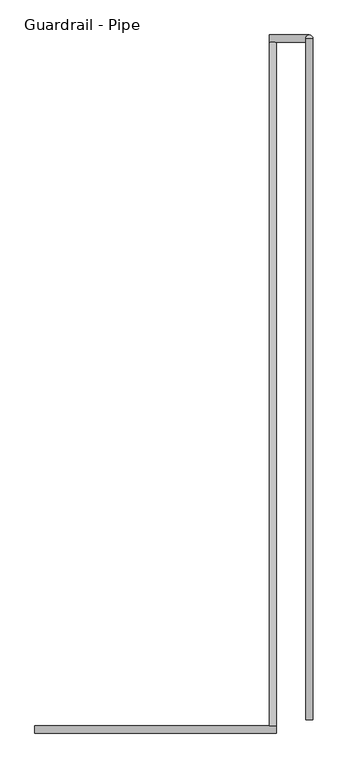
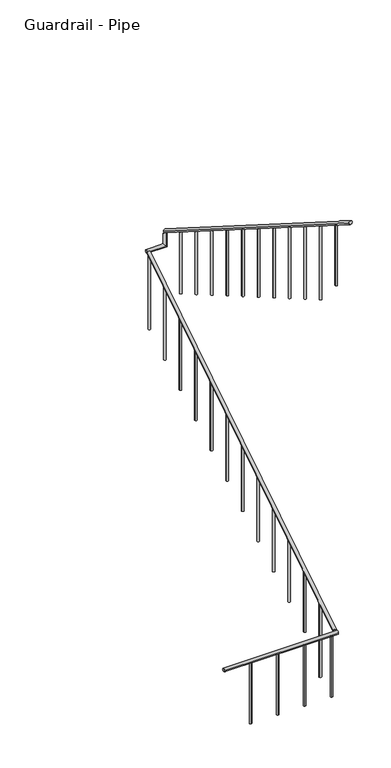
"""IFC4 building model written with IfcOpenShell, lengths in millimetres: railing geometry, Guardrail - Pipe."""

from ifc_helpers import new_model, si_unit, point, frame, frame_2d, origin, place, context, project, spatial, circle_curve, ellipse_curve, trimmed, segment, composite_curve, outline, extrude, source, transform, mapped, element, save
from ifc_brep_helpers import plane_surface, cylinder_surface, advanced_brep


def guardrail_pipe_47b4cf30(model_context):
    return source(origin(), model_context, "Body", "SolidModel", [
        advanced_brep(
        [(662052.3754676, -293377.1580223, 896.2158407), (662090.4754676, -293377.1580223, 896.2158407), (662052.3754676, -289732.2580223, 3203.4252683), (662090.4754676, -289732.2580223, 3203.4252683)],
        [
            (0, 1, ellipse_curve(frame((662071.4254676, -293377.1580223, 896.2158407), z_axis=(0.0, -1.0, 0.0), x_axis=(0.0, 0.0, -1.0)), 22.5457755, 19.05)),
            (1, 0, ellipse_curve(frame((662071.4254676, -293377.1580223, 896.2158407), z_axis=(0.0, -1.0, 0.0), x_axis=(0.0, 0.0, -1.0)), 22.5457755, 19.05)),
            (2, 3, ellipse_curve(frame((662071.4254676, -289732.2580223, 3203.4252683), z_axis=(0.0, 1.0, 0.0), x_axis=(0.0, 0.0, -1.0)), 22.5457755, 19.05)),
            (3, 2, ellipse_curve(frame((662071.4254676, -289732.2580223, 3203.4252683), z_axis=(0.0, 1.0, 0.0), x_axis=(0.0, 0.0, -1.0)), 22.5457755, 19.05)),
            (1, 3),
            (2, 0),
        ],
        [
            plane_surface(frame((662071.4254676, -293377.1580223, 918.7616162), z_axis=(0.0, -1.0, 0.0), x_axis=(0.0, 0.0, 1.0))),
            plane_surface(frame((662071.4254676, -289732.2580223, 3225.9710438), z_axis=(0.0, 1.0, 0.0), x_axis=(0.0, 0.0, 1.0))),
            cylinder_surface(frame((662071.4254676, -293366.9691486, 902.6653635), z_axis=(0.0, -0.8449476488296452, -0.5348490167675869), x_axis=(1.0, 0.0, 0.0)), 19.05),
        ],
        [
            (0, [[1, 2]]),
            (1, [[3, 4]]),
            (2, [[-2, 5, -3, 6]]),
            (2, [[-1, -6, -4, -5]]),
        ],
    ),
        advanced_brep(
        [(662052.3754676, -289694.1580223, 3218.9796296), (662052.3754676, -289732.2580223, 3218.9796296), (662265.9457983, -289732.2580223, 3218.9796296), (662265.9457983, -289694.1580223, 3218.9796296), (662265.9457983, -289694.1580223, 3357.738752), (662265.9457983, -289732.2580223, 3381.8559237)],
        [
            (0, 1, circle_curve(frame((662052.3754676, -289713.2080223, 3218.9796296), z_axis=(-1.0, 0.0, 0.0), x_axis=(0.0, -1.0, 0.0)), 19.05)),
            (1, 0, circle_curve(frame((662052.3754676, -289713.2080223, 3218.9796296), z_axis=(-1.0, 0.0, 0.0), x_axis=(0.0, -1.0, 0.0)), 19.05)),
            (1, 2),
            (2, 3, ellipse_curve(frame((662265.9457983, -289713.2080223, 3218.9796296), z_axis=(-0.7071067811865475, 0.0, -0.7071067811865475), x_axis=(-0.7071067811865476, 0.0, 0.7071067811865474)), 26.9407684, 19.05)),
            (3, 0),
            (3, 2, ellipse_curve(frame((662265.9457983, -289713.2080223, 3218.9796296), z_axis=(-0.7071067811865475, 0.0, -0.7071067811865475), x_axis=(-0.7071067811865476, 0.0, 0.7071067811865474)), 26.9407684, 19.05)),
            (4, 5, ellipse_curve(frame((662265.9457983, -289713.2080223, 3369.7973379), z_axis=(0.0, 0.5348490167675869, 0.8449476488296452), x_axis=(0.0, 0.8449476488296452, -0.5348490167675869)), 22.5457755, 19.05)),
            (5, 4, ellipse_curve(frame((662265.9457983, -289713.2080223, 3369.7973379), z_axis=(0.0, 0.5348490167675869, 0.8449476488296452), x_axis=(0.0, 0.8449476488296452, -0.5348490167675869)), 22.5457755, 19.05)),
            (2, 5),
            (4, 3),
        ],
        [
            plane_surface(frame((662052.3754676, -289713.2080223, 3238.0296296), z_axis=(-1.0, 0.0, 0.0), x_axis=(0.0, 1.0, 0.0))),
            cylinder_surface(frame((662052.3754676, -289713.2080223, 3218.9796296), z_axis=(-1.0, 0.0, 0.0), x_axis=(0.0, -1.0, 0.0)), 19.05),
            plane_surface(frame((662246.8957983, -289713.2080223, 3369.7973379), z_axis=(0.0, 0.5348490167675869, 0.8449476488296452), x_axis=(1.0, 0.0, 0.0))),
            cylinder_surface(frame((662265.9457983, -289713.2080223, 3238.0296296), z_axis=(0.0, 0.0, -1.0), x_axis=(0.0, -1.0, 0.0)), 19.05),
        ],
        [
            (0, [[1, 2]]),
            (1, [[-2, 3, 4, 5]]),
            (1, [[-1, -5, 6, -3]]),
            (2, [[7, 8]]),
            (3, [[-4, 9, -7, 10]]),
            (3, [[-6, -10, -8, -9]]),
        ],
    ),
        advanced_brep(
        [(662284.9957983, -289713.2080223, 3392.3431134), (662246.8957983, -289713.2080223, 3392.3431134), (662284.9957983, -293345.4080223, 5691.5134838), (662246.8957983, -293345.4080223, 5691.5134838)],
        [
            (0, 1, ellipse_curve(frame((662265.9457983, -289713.2080223, 3392.3431134), z_axis=(0.0, 1.0, 0.0), x_axis=(0.0, 0.0, -1.0)), 22.5457755, 19.05)),
            (1, 0, ellipse_curve(frame((662265.9457983, -289713.2080223, 3392.3431134), z_axis=(0.0, 1.0, 0.0), x_axis=(0.0, 0.0, -1.0)), 22.5457755, 19.05)),
            (2, 3, ellipse_curve(frame((662265.9457983, -293345.4080223, 5691.5134838), z_axis=(0.0, -1.0, 0.0), x_axis=(0.0, 0.0, -1.0)), 22.5457755, 19.05)),
            (3, 2, ellipse_curve(frame((662265.9457983, -293345.4080223, 5691.5134838), z_axis=(0.0, -1.0, 0.0), x_axis=(0.0, 0.0, -1.0)), 22.5457755, 19.05)),
            (1, 3),
            (2, 0),
        ],
        [
            plane_surface(frame((662265.9457983, -289713.2080223, 3414.8888889), z_axis=(0.0, 1.0, 0.0), x_axis=(0.0, 0.0, -1.0))),
            plane_surface(frame((662265.9457983, -293345.4080223, 5714.0592593), z_axis=(0.0, -1.0, 0.0), x_axis=(0.0, 0.0, -1.0))),
            cylinder_surface(frame((662265.9457983, -289723.3968961, 3398.7926362), z_axis=(0.0, 0.8449476488296452, -0.5348490167675869), x_axis=(-1.0, 0.0, 0.0)), 19.05),
        ],
        [
            (0, [[1, 2]]),
            (1, [[3, 4]]),
            (2, [[-2, 5, -3, 6]]),
            (2, [[-1, -6, -4, -5]]),
        ],
    ),
        advanced_brep(
        [(660801.4254676, -293377.1580223, 887.6530303), (660801.4254676, -293415.2580223, 887.6530303), (662090.4754676, -293377.1580223, 887.6530303), (662090.4754676, -293415.2580223, 887.6530303)],
        [
            (0, 1, circle_curve(frame((660801.4254676, -293396.2080223, 887.6530303), z_axis=(-1.0, 0.0, 0.0), x_axis=(0.0, -1.0, 0.0)), 19.05)),
            (1, 0, circle_curve(frame((660801.4254676, -293396.2080223, 887.6530303), z_axis=(-1.0, 0.0, 0.0), x_axis=(0.0, -1.0, 0.0)), 19.05)),
            (2, 3, circle_curve(frame((662090.4754676, -293396.2080223, 887.6530303), z_axis=(1.0, 0.0, 0.0), x_axis=(0.0, -1.0, 0.0)), 19.05)),
            (3, 2, circle_curve(frame((662090.4754676, -293396.2080223, 887.6530303), z_axis=(1.0, 0.0, 0.0), x_axis=(0.0, -1.0, 0.0)), 19.05)),
            (1, 3),
            (2, 0),
        ],
        [
            plane_surface(frame((660801.4254676, -293396.2080223, 906.7030303), z_axis=(-1.0, 0.0, 0.0), x_axis=(0.0, 1.0, 0.0))),
            plane_surface(frame((662090.4754676, -293396.2080223, 906.7030303), z_axis=(1.0, 0.0, 0.0), x_axis=(0.0, 1.0, 0.0))),
            cylinder_surface(frame((660801.4254676, -293396.2080223, 887.6530303), z_axis=(-1.0, 0.0, 0.0), x_axis=(0.0, -1.0, 0.0)), 19.05),
        ],
        [
            (0, [[1, 2]]),
            (1, [[3, 4]]),
            (2, [[-2, 5, -3, 6]]),
            (2, [[-1, -6, -4, -5]]),
        ],
    ),
        advanced_brep(
        [(662253.2457983, -293066.0080223, 5492.108449), (662253.2457983, -293066.0080223, 4775.2), (662278.6457983, -293066.0080223, 4775.2), (662278.6457983, -293066.0080223, 5492.108449)],
        [
            (0, 1),
            (1, 2, circle_curve(frame((662265.9457983, -293066.0080223, 4775.2), z_axis=(0.0, 0.0, 1.0), x_axis=(1.0, 0.0, 0.0)), 12.7)),
            (2, 3),
            (3, 0, ellipse_curve(frame((662265.9457983, -293066.0080223, 5492.108449), z_axis=(0.0, -0.534849016767586, -0.8449476488296459), x_axis=(0.0, -0.8449476488296459, 0.5348490167675857)), 15.030517, 12.7)),
            (0, 3, ellipse_curve(frame((662265.9457983, -293066.0080223, 5492.108449), z_axis=(0.0, -0.534849016767586, -0.8449476488296459), x_axis=(0.0, -0.8449476488296459, 0.5348490167675857)), 15.030517, 12.7)),
            (2, 1, circle_curve(frame((662265.9457983, -293066.0080223, 4775.2), z_axis=(0.0, 0.0, 1.0), x_axis=(1.0, 0.0, 0.0)), 12.7)),
        ],
        [
            cylinder_surface(frame((662265.9457983, -293066.0080223, 4546.6), z_axis=(0.0, 0.0, 1.0), x_axis=(1.0, 0.0, 0.0)), 12.7),
            plane_surface(frame((662291.3457983, -293091.4080223, 5508.1865635), z_axis=(0.0, 0.534849016767586, 0.8449476488296459), x_axis=(-1.0, 0.0, 0.0))),
            plane_surface(frame((662291.3457983, -293040.6080223, 4775.2), z_axis=(0.0, 0.0, -1.0), x_axis=(-1.0, 0.0, 0.0))),
        ],
        [
            (0, [[1, 2, 3, 4]]),
            (0, [[-1, 5, -3, 6]]),
            (1, [[-4, -5]]),
            (2, [[-2, -6]]),
        ],
    ),
        advanced_brep(
        [(662253.2457983, -292761.2080223, 5299.1710753), (662253.2457983, -292761.2080223, 4421.4814815), (662278.6457983, -292761.2080223, 4421.4814815), (662278.6457983, -292761.2080223, 5299.1710753)],
        [
            (0, 1),
            (1, 2, circle_curve(frame((662265.9457983, -292761.2080223, 4421.4814815), z_axis=(0.0, 0.0, 1.0), x_axis=(1.0, 0.0, 0.0)), 12.7)),
            (2, 3),
            (3, 0, ellipse_curve(frame((662265.9457983, -292761.2080223, 5299.1710753), z_axis=(0.0, -0.5348490167675843, -0.8449476488296469), x_axis=(0.0, -0.8449476488296469, 0.5348490167675843)), 15.030517, 12.7)),
            (0, 3, ellipse_curve(frame((662265.9457983, -292761.2080223, 5299.1710753), z_axis=(0.0, -0.5348490167675843, -0.8449476488296469), x_axis=(0.0, -0.8449476488296469, 0.5348490167675843)), 15.030517, 12.7)),
            (2, 1, circle_curve(frame((662265.9457983, -292761.2080223, 4421.4814815), z_axis=(0.0, 0.0, 1.0), x_axis=(1.0, 0.0, 0.0)), 12.7)),
        ],
        [
            cylinder_surface(frame((662265.9457983, -292761.2080223, 4192.8814815), z_axis=(0.0, 0.0, 1.0), x_axis=(1.0, 0.0, 0.0)), 12.7),
            plane_surface(frame((662291.3457983, -292786.6080223, 5315.2491897), z_axis=(0.0, 0.5348490167675843, 0.8449476488296469), x_axis=(-1.0, 0.0, 0.0))),
            plane_surface(frame((662291.3457983, -292735.8080223, 4421.4814815), z_axis=(0.0, 0.0, -1.0), x_axis=(-1.0, 0.0, 0.0))),
        ],
        [
            (0, [[1, 2, 3, 4]]),
            (0, [[-1, 5, -3, 6]]),
            (1, [[-4, -5]]),
            (2, [[-2, -6]]),
        ],
    ),
        advanced_brep(
        [(662253.2457983, -292456.4080223, 5106.2337015), (662253.2457983, -292456.4080223, 4244.6222222), (662278.6457983, -292456.4080223, 4244.6222222), (662278.6457983, -292456.4080223, 5106.2337015)],
        [
            (0, 1),
            (1, 2, circle_curve(frame((662265.9457983, -292456.4080223, 4244.6222222), z_axis=(0.0, 0.0, 1.0), x_axis=(1.0, 0.0, 0.0)), 12.7)),
            (2, 3),
            (3, 0, ellipse_curve(frame((662265.9457983, -292456.4080223, 5106.2337015), z_axis=(0.0, -0.534849016767586, -0.8449476488296459), x_axis=(0.0, -0.8449476488296459, 0.5348490167675857)), 15.030517, 12.7)),
            (0, 3, ellipse_curve(frame((662265.9457983, -292456.4080223, 5106.2337015), z_axis=(0.0, -0.534849016767586, -0.8449476488296459), x_axis=(0.0, -0.8449476488296459, 0.5348490167675857)), 15.030517, 12.7)),
            (2, 1, circle_curve(frame((662265.9457983, -292456.4080223, 4244.6222222), z_axis=(0.0, 0.0, 1.0), x_axis=(1.0, 0.0, 0.0)), 12.7)),
        ],
        [
            cylinder_surface(frame((662265.9457983, -292456.4080223, 4016.0222222), z_axis=(0.0, 0.0, 1.0), x_axis=(1.0, 0.0, 0.0)), 12.7),
            plane_surface(frame((662291.3457983, -292481.8080223, 5122.311816), z_axis=(0.0, 0.534849016767586, 0.8449476488296459), x_axis=(-1.0, 0.0, 0.0))),
            plane_surface(frame((662291.3457983, -292431.0080223, 4244.6222222), z_axis=(0.0, 0.0, -1.0), x_axis=(-1.0, 0.0, 0.0))),
        ],
        [
            (0, [[1, 2, 3, 4]]),
            (0, [[-1, 5, -3, 6]]),
            (1, [[-4, -5]]),
            (2, [[-2, -6]]),
        ],
    ),
        advanced_brep(
        [(662253.2457983, -292151.6080223, 4913.2963278), (662253.2457983, -292151.6080223, 4067.762963), (662278.6457983, -292151.6080223, 4067.762963), (662278.6457983, -292151.6080223, 4913.2963278)],
        [
            (0, 1),
            (1, 2, circle_curve(frame((662265.9457983, -292151.6080223, 4067.762963), z_axis=(0.0, 0.0, 1.0), x_axis=(1.0, 0.0, 0.0)), 12.7)),
            (2, 3),
            (3, 0, ellipse_curve(frame((662265.9457983, -292151.6080223, 4913.2963278), z_axis=(0.0, -0.534849016767586, -0.8449476488296459), x_axis=(0.0, -0.8449476488296459, 0.5348490167675857)), 15.030517, 12.7)),
            (0, 3, ellipse_curve(frame((662265.9457983, -292151.6080223, 4913.2963278), z_axis=(0.0, -0.534849016767586, -0.8449476488296459), x_axis=(0.0, -0.8449476488296459, 0.5348490167675857)), 15.030517, 12.7)),
            (2, 1, circle_curve(frame((662265.9457983, -292151.6080223, 4067.762963), z_axis=(0.0, 0.0, 1.0), x_axis=(1.0, 0.0, 0.0)), 12.7)),
        ],
        [
            cylinder_surface(frame((662265.9457983, -292151.6080223, 3839.162963), z_axis=(0.0, 0.0, 1.0), x_axis=(1.0, 0.0, 0.0)), 12.7),
            plane_surface(frame((662291.3457983, -292177.0080223, 4929.3744423), z_axis=(0.0, 0.534849016767586, 0.8449476488296459), x_axis=(-1.0, 0.0, 0.0))),
            plane_surface(frame((662291.3457983, -292126.2080223, 4067.762963), z_axis=(0.0, 0.0, -1.0), x_axis=(-1.0, 0.0, 0.0))),
        ],
        [
            (0, [[1, 2, 3, 4]]),
            (0, [[-1, 5, -3, 6]]),
            (1, [[-4, -5]]),
            (2, [[-2, -6]]),
        ],
    ),
        advanced_brep(
        [(662253.2457983, -291846.8080223, 4720.358954), (662253.2457983, -291846.8080223, 3890.9037037), (662278.6457983, -291846.8080223, 3890.9037037), (662278.6457983, -291846.8080223, 4720.358954)],
        [
            (0, 1),
            (1, 2, circle_curve(frame((662265.9457983, -291846.8080223, 3890.9037037), z_axis=(0.0, 0.0, 1.0), x_axis=(1.0, 0.0, 0.0)), 12.7)),
            (2, 3),
            (3, 0, ellipse_curve(frame((662265.9457983, -291846.8080223, 4720.358954), z_axis=(0.0, -0.5348490167675843, -0.8449476488296469), x_axis=(0.0, -0.8449476488296469, 0.5348490167675843)), 15.030517, 12.7)),
            (0, 3, ellipse_curve(frame((662265.9457983, -291846.8080223, 4720.358954), z_axis=(0.0, -0.5348490167675843, -0.8449476488296469), x_axis=(0.0, -0.8449476488296469, 0.5348490167675843)), 15.030517, 12.7)),
            (2, 1, circle_curve(frame((662265.9457983, -291846.8080223, 3890.9037037), z_axis=(0.0, 0.0, 1.0), x_axis=(1.0, 0.0, 0.0)), 12.7)),
        ],
        [
            cylinder_surface(frame((662265.9457983, -291846.8080223, 3662.3037037), z_axis=(0.0, 0.0, 1.0), x_axis=(1.0, 0.0, 0.0)), 12.7),
            plane_surface(frame((662291.3457983, -291872.2080223, 4736.4370685), z_axis=(0.0, 0.5348490167675843, 0.8449476488296469), x_axis=(-1.0, 0.0, 0.0))),
            plane_surface(frame((662291.3457983, -291821.4080223, 3890.9037037), z_axis=(0.0, 0.0, -1.0), x_axis=(-1.0, 0.0, 0.0))),
        ],
        [
            (0, [[1, 2, 3, 4]]),
            (0, [[-1, 5, -3, 6]]),
            (1, [[-4, -5]]),
            (2, [[-2, -6]]),
        ],
    ),
        advanced_brep(
        [(662253.2457983, -291542.0080223, 4527.4215803), (662253.2457983, -291542.0080223, 3714.0444444), (662278.6457983, -291542.0080223, 3714.0444444), (662278.6457983, -291542.0080223, 4527.4215803)],
        [
            (0, 1),
            (1, 2, circle_curve(frame((662265.9457983, -291542.0080223, 3714.0444444), z_axis=(0.0, 0.0, 1.0), x_axis=(1.0, 0.0, 0.0)), 12.7)),
            (2, 3),
            (3, 0, ellipse_curve(frame((662265.9457983, -291542.0080223, 4527.4215803), z_axis=(0.0, -0.5348490167675828, -0.844947648829648), x_axis=(0.0, -0.8449476488296481, 0.5348490167675825)), 15.030517, 12.7)),
            (0, 3, ellipse_curve(frame((662265.9457983, -291542.0080223, 4527.4215803), z_axis=(0.0, -0.5348490167675828, -0.844947648829648), x_axis=(0.0, -0.8449476488296481, 0.5348490167675825)), 15.030517, 12.7)),
            (2, 1, circle_curve(frame((662265.9457983, -291542.0080223, 3714.0444444), z_axis=(0.0, 0.0, 1.0), x_axis=(1.0, 0.0, 0.0)), 12.7)),
        ],
        [
            cylinder_surface(frame((662265.9457983, -291542.0080223, 3485.4444444), z_axis=(0.0, 0.0, 1.0), x_axis=(1.0, 0.0, 0.0)), 12.7),
            plane_surface(frame((662291.3457983, -291567.4080223, 4543.4996948), z_axis=(0.0, 0.5348490167675828, 0.844947648829648), x_axis=(-1.0, 0.0, 0.0))),
            plane_surface(frame((662291.3457983, -291516.6080223, 3714.0444444), z_axis=(0.0, 0.0, -1.0), x_axis=(-1.0, 0.0, 0.0))),
        ],
        [
            (0, [[1, 2, 3, 4]]),
            (0, [[-1, 5, -3, 6]]),
            (1, [[-4, -5]]),
            (2, [[-2, -6]]),
        ],
    ),
        advanced_brep(
        [(662253.2457983, -291237.2080223, 4334.4842066), (662253.2457983, -291237.2080223, 3537.1851852), (662278.6457983, -291237.2080223, 3537.1851852), (662278.6457983, -291237.2080223, 4334.4842066)],
        [
            (0, 1),
            (1, 2, circle_curve(frame((662265.9457983, -291237.2080223, 3537.1851852), z_axis=(0.0, 0.0, 1.0), x_axis=(1.0, 0.0, 0.0)), 12.7)),
            (2, 3),
            (3, 0, ellipse_curve(frame((662265.9457983, -291237.2080223, 4334.4842066), z_axis=(0.0, -0.5348490167675843, -0.8449476488296469), x_axis=(0.0, -0.8449476488296469, 0.5348490167675843)), 15.030517, 12.7)),
            (0, 3, ellipse_curve(frame((662265.9457983, -291237.2080223, 4334.4842066), z_axis=(0.0, -0.5348490167675843, -0.8449476488296469), x_axis=(0.0, -0.8449476488296469, 0.5348490167675843)), 15.030517, 12.7)),
            (2, 1, circle_curve(frame((662265.9457983, -291237.2080223, 3537.1851852), z_axis=(0.0, 0.0, 1.0), x_axis=(1.0, 0.0, 0.0)), 12.7)),
        ],
        [
            cylinder_surface(frame((662265.9457983, -291237.2080223, 3308.5851852), z_axis=(0.0, 0.0, 1.0), x_axis=(1.0, 0.0, 0.0)), 12.7),
            plane_surface(frame((662291.3457983, -291262.6080223, 4350.5623211), z_axis=(0.0, 0.5348490167675843, 0.8449476488296469), x_axis=(-1.0, 0.0, 0.0))),
            plane_surface(frame((662291.3457983, -291211.8080223, 3537.1851852), z_axis=(0.0, 0.0, -1.0), x_axis=(-1.0, 0.0, 0.0))),
        ],
        [
            (0, [[1, 2, 3, 4]]),
            (0, [[-1, 5, -3, 6]]),
            (1, [[-4, -5]]),
            (2, [[-2, -6]]),
        ],
    ),
        advanced_brep(
        [(662253.2457983, -290932.4080223, 4141.5468328), (662253.2457983, -290932.4080223, 3360.3259259), (662278.6457983, -290932.4080223, 3360.3259259), (662278.6457983, -290932.4080223, 4141.5468328)],
        [
            (0, 1),
            (1, 2, circle_curve(frame((662265.9457983, -290932.4080223, 3360.3259259), z_axis=(0.0, 0.0, 1.0), x_axis=(1.0, 0.0, 0.0)), 12.7)),
            (2, 3),
            (3, 0, ellipse_curve(frame((662265.9457983, -290932.4080223, 4141.5468328), z_axis=(0.0, -0.5348490167675843, -0.8449476488296469), x_axis=(0.0, -0.8449476488296469, 0.5348490167675843)), 15.030517, 12.7)),
            (0, 3, ellipse_curve(frame((662265.9457983, -290932.4080223, 4141.5468328), z_axis=(0.0, -0.5348490167675843, -0.8449476488296469), x_axis=(0.0, -0.8449476488296469, 0.5348490167675843)), 15.030517, 12.7)),
            (2, 1, circle_curve(frame((662265.9457983, -290932.4080223, 3360.3259259), z_axis=(0.0, 0.0, 1.0), x_axis=(1.0, 0.0, 0.0)), 12.7)),
        ],
        [
            cylinder_surface(frame((662265.9457983, -290932.4080223, 3131.7259259), z_axis=(0.0, 0.0, 1.0), x_axis=(1.0, 0.0, 0.0)), 12.7),
            plane_surface(frame((662291.3457983, -290957.8080223, 4157.6249473), z_axis=(0.0, 0.5348490167675843, 0.8449476488296469), x_axis=(-1.0, 0.0, 0.0))),
            plane_surface(frame((662291.3457983, -290907.0080223, 3360.3259259), z_axis=(0.0, 0.0, -1.0), x_axis=(-1.0, 0.0, 0.0))),
        ],
        [
            (0, [[1, 2, 3, 4]]),
            (0, [[-1, 5, -3, 6]]),
            (1, [[-4, -5]]),
            (2, [[-2, -6]]),
        ],
    ),
        advanced_brep(
        [(662253.2457983, -290627.6080223, 3948.6094591), (662253.2457983, -290627.6080223, 3183.4666667), (662278.6457983, -290627.6080223, 3183.4666667), (662278.6457983, -290627.6080223, 3948.6094591)],
        [
            (0, 1),
            (1, 2, circle_curve(frame((662265.9457983, -290627.6080223, 3183.4666667), z_axis=(0.0, 0.0, 1.0), x_axis=(1.0, 0.0, 0.0)), 12.7)),
            (2, 3),
            (3, 0, ellipse_curve(frame((662265.9457983, -290627.6080223, 3948.6094591), z_axis=(0.0, -0.5348490167675843, -0.8449476488296469), x_axis=(0.0, -0.8449476488296469, 0.5348490167675843)), 15.030517, 12.7)),
            (0, 3, ellipse_curve(frame((662265.9457983, -290627.6080223, 3948.6094591), z_axis=(0.0, -0.5348490167675843, -0.8449476488296469), x_axis=(0.0, -0.8449476488296469, 0.5348490167675843)), 15.030517, 12.7)),
            (2, 1, circle_curve(frame((662265.9457983, -290627.6080223, 3183.4666667), z_axis=(0.0, 0.0, 1.0), x_axis=(1.0, 0.0, 0.0)), 12.7)),
        ],
        [
            cylinder_surface(frame((662265.9457983, -290627.6080223, 2954.8666667), z_axis=(0.0, 0.0, 1.0), x_axis=(1.0, 0.0, 0.0)), 12.7),
            plane_surface(frame((662291.3457983, -290653.0080223, 3964.6875736), z_axis=(0.0, 0.5348490167675843, 0.8449476488296469), x_axis=(-1.0, 0.0, 0.0))),
            plane_surface(frame((662291.3457983, -290602.2080223, 3183.4666667), z_axis=(0.0, 0.0, -1.0), x_axis=(-1.0, 0.0, 0.0))),
        ],
        [
            (0, [[1, 2, 3, 4]]),
            (0, [[-1, 5, -3, 6]]),
            (1, [[-4, -5]]),
            (2, [[-2, -6]]),
        ],
    ),
        advanced_brep(
        [(662253.2457983, -290322.8080223, 3755.6720854), (662253.2457983, -290322.8080223, 3006.6074074), (662278.6457983, -290322.8080223, 3006.6074074), (662278.6457983, -290322.8080223, 3755.6720854)],
        [
            (0, 1),
            (1, 2, circle_curve(frame((662265.9457983, -290322.8080223, 3006.6074074), z_axis=(0.0, 0.0, 1.0), x_axis=(1.0, 0.0, 0.0)), 12.7)),
            (2, 3),
            (3, 0, ellipse_curve(frame((662265.9457983, -290322.8080223, 3755.6720854), z_axis=(0.0, -0.534849016767586, -0.8449476488296459), x_axis=(0.0, -0.8449476488296459, 0.5348490167675857)), 15.030517, 12.7)),
            (0, 3, ellipse_curve(frame((662265.9457983, -290322.8080223, 3755.6720854), z_axis=(0.0, -0.534849016767586, -0.8449476488296459), x_axis=(0.0, -0.8449476488296459, 0.5348490167675857)), 15.030517, 12.7)),
            (2, 1, circle_curve(frame((662265.9457983, -290322.8080223, 3006.6074074), z_axis=(0.0, 0.0, 1.0), x_axis=(1.0, 0.0, 0.0)), 12.7)),
        ],
        [
            cylinder_surface(frame((662265.9457983, -290322.8080223, 2778.0074074), z_axis=(0.0, 0.0, 1.0), x_axis=(1.0, 0.0, 0.0)), 12.7),
            plane_surface(frame((662291.3457983, -290348.2080223, 3771.7501998), z_axis=(0.0, 0.534849016767586, 0.8449476488296459), x_axis=(-1.0, 0.0, 0.0))),
            plane_surface(frame((662291.3457983, -290297.4080223, 3006.6074074), z_axis=(0.0, 0.0, -1.0), x_axis=(-1.0, 0.0, 0.0))),
        ],
        [
            (0, [[1, 2, 3, 4]]),
            (0, [[-1, 5, -3, 6]]),
            (1, [[-4, -5]]),
            (2, [[-2, -6]]),
        ],
    ),
        advanced_brep(
        [(662253.2457983, -290018.0080223, 3562.7347116), (662253.2457983, -290018.0080223, 2829.7481481), (662278.6457983, -290018.0080223, 2829.7481481), (662278.6457983, -290018.0080223, 3562.7347116)],
        [
            (0, 1),
            (1, 2, circle_curve(frame((662265.9457983, -290018.0080223, 2829.7481481), z_axis=(0.0, 0.0, 1.0), x_axis=(1.0, 0.0, 0.0)), 12.7)),
            (2, 3),
            (3, 0, ellipse_curve(frame((662265.9457983, -290018.0080223, 3562.7347116), z_axis=(0.0, -0.5348490167675828, -0.844947648829648), x_axis=(0.0, -0.8449476488296481, 0.5348490167675825)), 15.030517, 12.7)),
            (0, 3, ellipse_curve(frame((662265.9457983, -290018.0080223, 3562.7347116), z_axis=(0.0, -0.5348490167675828, -0.844947648829648), x_axis=(0.0, -0.8449476488296481, 0.5348490167675825)), 15.030517, 12.7)),
            (2, 1, circle_curve(frame((662265.9457983, -290018.0080223, 2829.7481481), z_axis=(0.0, 0.0, 1.0), x_axis=(1.0, 0.0, 0.0)), 12.7)),
        ],
        [
            cylinder_surface(frame((662265.9457983, -290018.0080223, 2601.1481481), z_axis=(0.0, 0.0, 1.0), x_axis=(1.0, 0.0, 0.0)), 12.7),
            plane_surface(frame((662291.3457983, -290043.4080223, 3578.8128261), z_axis=(0.0, 0.5348490167675828, 0.844947648829648), x_axis=(-1.0, 0.0, 0.0))),
            plane_surface(frame((662291.3457983, -289992.6080223, 2829.7481481), z_axis=(0.0, 0.0, -1.0), x_axis=(-1.0, 0.0, 0.0))),
        ],
        [
            (0, [[1, 2, 3, 4]]),
            (0, [[-1, 5, -3, 6]]),
            (1, [[-4, -5]]),
            (2, [[-2, -6]]),
        ],
    ),
        advanced_brep(
        [(662084.1254676, -289738.6080223, 3176.8599642), (662084.1254676, -289738.6080223, 2299.1703704), (662058.7254676, -289738.6080223, 2299.1703704), (662058.7254676, -289738.6080223, 3176.8599642)],
        [
            (0, 1),
            (1, 2, circle_curve(frame((662071.4254676, -289738.6080223, 2299.1703704), z_axis=(0.0, 0.0, 1.0), x_axis=(-1.0, 0.0, 0.0)), 12.7)),
            (2, 3),
            (3, 0, ellipse_curve(frame((662071.4254676, -289738.6080223, 3176.8599642), z_axis=(0.0, 0.5348490167675843, -0.8449476488296469), x_axis=(0.0, 0.8449476488296469, 0.5348490167675843)), 15.030517, 12.7)),
            (0, 3, ellipse_curve(frame((662071.4254676, -289738.6080223, 3176.8599642), z_axis=(0.0, 0.5348490167675843, -0.8449476488296469), x_axis=(0.0, 0.8449476488296469, 0.5348490167675843)), 15.030517, 12.7)),
            (2, 1, circle_curve(frame((662071.4254676, -289738.6080223, 2299.1703704), z_axis=(0.0, 0.0, 1.0), x_axis=(-1.0, 0.0, 0.0)), 12.7)),
        ],
        [
            cylinder_surface(frame((662071.4254676, -289738.6080223, 2070.5703704), z_axis=(0.0, 0.0, 1.0), x_axis=(-1.0, 0.0, 0.0)), 12.7),
            plane_surface(frame((662046.0254676, -289713.2080223, 3192.9380786), z_axis=(0.0, -0.5348490167675843, 0.8449476488296469), x_axis=(1.0, 0.0, 0.0))),
            plane_surface(frame((662046.0254676, -289764.0080223, 2299.1703704), z_axis=(0.0, 0.0, -1.0), x_axis=(1.0, 0.0, 0.0))),
        ],
        [
            (0, [[1, 2, 3, 4]]),
            (0, [[-1, 5, -3, 6]]),
            (1, [[-4, -5]]),
            (2, [[-2, -6]]),
        ],
    ),
        advanced_brep(
        [(662084.1254676, -290043.4080223, 2983.9225904), (662084.1254676, -290043.4080223, 2122.3111111), (662058.7254676, -290043.4080223, 2122.3111111), (662058.7254676, -290043.4080223, 2983.9225904)],
        [
            (0, 1),
            (1, 2, circle_curve(frame((662071.4254676, -290043.4080223, 2122.3111111), z_axis=(0.0, 0.0, 1.0), x_axis=(-1.0, 0.0, 0.0)), 12.7)),
            (2, 3),
            (3, 0, ellipse_curve(frame((662071.4254676, -290043.4080223, 2983.9225904), z_axis=(0.0, 0.534849016767586, -0.8449476488296459), x_axis=(0.0, 0.8449476488296459, 0.5348490167675857)), 15.030517, 12.7)),
            (0, 3, ellipse_curve(frame((662071.4254676, -290043.4080223, 2983.9225904), z_axis=(0.0, 0.534849016767586, -0.8449476488296459), x_axis=(0.0, 0.8449476488296459, 0.5348490167675857)), 15.030517, 12.7)),
            (2, 1, circle_curve(frame((662071.4254676, -290043.4080223, 2122.3111111), z_axis=(0.0, 0.0, 1.0), x_axis=(-1.0, 0.0, 0.0)), 12.7)),
        ],
        [
            cylinder_surface(frame((662071.4254676, -290043.4080223, 1893.7111111), z_axis=(0.0, 0.0, 1.0), x_axis=(-1.0, 0.0, 0.0)), 12.7),
            plane_surface(frame((662046.0254676, -290018.0080223, 3000.0007049), z_axis=(0.0, -0.534849016767586, 0.8449476488296459), x_axis=(1.0, 0.0, 0.0))),
            plane_surface(frame((662046.0254676, -290068.8080223, 2122.3111111), z_axis=(0.0, 0.0, -1.0), x_axis=(1.0, 0.0, 0.0))),
        ],
        [
            (0, [[1, 2, 3, 4]]),
            (0, [[-1, 5, -3, 6]]),
            (1, [[-4, -5]]),
            (2, [[-2, -6]]),
        ],
    ),
        advanced_brep(
        [(662084.1254676, -290348.2080223, 2790.9852167), (662084.1254676, -290348.2080223, 1945.4518519), (662058.7254676, -290348.2080223, 1945.4518519), (662058.7254676, -290348.2080223, 2790.9852167)],
        [
            (0, 1),
            (1, 2, circle_curve(frame((662071.4254676, -290348.2080223, 1945.4518519), z_axis=(0.0, 0.0, 1.0), x_axis=(-1.0, 0.0, 0.0)), 12.7)),
            (2, 3),
            (3, 0, ellipse_curve(frame((662071.4254676, -290348.2080223, 2790.9852167), z_axis=(0.0, 0.534849016767586, -0.8449476488296459), x_axis=(0.0, 0.8449476488296459, 0.5348490167675857)), 15.030517, 12.7)),
            (0, 3, ellipse_curve(frame((662071.4254676, -290348.2080223, 2790.9852167), z_axis=(0.0, 0.534849016767586, -0.8449476488296459), x_axis=(0.0, 0.8449476488296459, 0.5348490167675857)), 15.030517, 12.7)),
            (2, 1, circle_curve(frame((662071.4254676, -290348.2080223, 1945.4518519), z_axis=(0.0, 0.0, 1.0), x_axis=(-1.0, 0.0, 0.0)), 12.7)),
        ],
        [
            cylinder_surface(frame((662071.4254676, -290348.2080223, 1716.8518519), z_axis=(0.0, 0.0, 1.0), x_axis=(-1.0, 0.0, 0.0)), 12.7),
            plane_surface(frame((662046.0254676, -290322.8080223, 2807.0633312), z_axis=(0.0, -0.534849016767586, 0.8449476488296459), x_axis=(1.0, 0.0, 0.0))),
            plane_surface(frame((662046.0254676, -290373.6080223, 1945.4518519), z_axis=(0.0, 0.0, -1.0), x_axis=(1.0, 0.0, 0.0))),
        ],
        [
            (0, [[1, 2, 3, 4]]),
            (0, [[-1, 5, -3, 6]]),
            (1, [[-4, -5]]),
            (2, [[-2, -6]]),
        ],
    ),
        advanced_brep(
        [(662084.1254676, -290653.0080223, 2598.0478429), (662084.1254676, -290653.0080223, 1768.5925926), (662058.7254676, -290653.0080223, 1768.5925926), (662058.7254676, -290653.0080223, 2598.0478429)],
        [
            (0, 1),
            (1, 2, circle_curve(frame((662071.4254676, -290653.0080223, 1768.5925926), z_axis=(0.0, 0.0, 1.0), x_axis=(-1.0, 0.0, 0.0)), 12.7)),
            (2, 3),
            (3, 0, ellipse_curve(frame((662071.4254676, -290653.0080223, 2598.0478429), z_axis=(0.0, 0.5348490167675843, -0.8449476488296469), x_axis=(0.0, 0.8449476488296469, 0.5348490167675843)), 15.030517, 12.7)),
            (0, 3, ellipse_curve(frame((662071.4254676, -290653.0080223, 2598.0478429), z_axis=(0.0, 0.5348490167675843, -0.8449476488296469), x_axis=(0.0, 0.8449476488296469, 0.5348490167675843)), 15.030517, 12.7)),
            (2, 1, circle_curve(frame((662071.4254676, -290653.0080223, 1768.5925926), z_axis=(0.0, 0.0, 1.0), x_axis=(-1.0, 0.0, 0.0)), 12.7)),
        ],
        [
            cylinder_surface(frame((662071.4254676, -290653.0080223, 1539.9925926), z_axis=(0.0, 0.0, 1.0), x_axis=(-1.0, 0.0, 0.0)), 12.7),
            plane_surface(frame((662046.0254676, -290627.6080223, 2614.1259574), z_axis=(0.0, -0.5348490167675843, 0.8449476488296469), x_axis=(1.0, 0.0, 0.0))),
            plane_surface(frame((662046.0254676, -290678.4080223, 1768.5925926), z_axis=(0.0, 0.0, -1.0), x_axis=(1.0, 0.0, 0.0))),
        ],
        [
            (0, [[1, 2, 3, 4]]),
            (0, [[-1, 5, -3, 6]]),
            (1, [[-4, -5]]),
            (2, [[-2, -6]]),
        ],
    ),
        advanced_brep(
        [(662084.1254676, -290957.8080223, 2405.1104692), (662084.1254676, -290957.8080223, 1591.7333333), (662058.7254676, -290957.8080223, 1591.7333333), (662058.7254676, -290957.8080223, 2405.1104692)],
        [
            (0, 1),
            (1, 2, circle_curve(frame((662071.4254676, -290957.8080223, 1591.7333333), z_axis=(0.0, 0.0, 1.0), x_axis=(-1.0, 0.0, 0.0)), 12.7)),
            (2, 3),
            (3, 0, ellipse_curve(frame((662071.4254676, -290957.8080223, 2405.1104692), z_axis=(0.0, 0.5348490167675828, -0.844947648829648), x_axis=(0.0, 0.8449476488296481, 0.5348490167675825)), 15.030517, 12.7)),
            (0, 3, ellipse_curve(frame((662071.4254676, -290957.8080223, 2405.1104692), z_axis=(0.0, 0.5348490167675828, -0.844947648829648), x_axis=(0.0, 0.8449476488296481, 0.5348490167675825)), 15.030517, 12.7)),
            (2, 1, circle_curve(frame((662071.4254676, -290957.8080223, 1591.7333333), z_axis=(0.0, 0.0, 1.0), x_axis=(-1.0, 0.0, 0.0)), 12.7)),
        ],
        [
            cylinder_surface(frame((662071.4254676, -290957.8080223, 1363.1333333), z_axis=(0.0, 0.0, 1.0), x_axis=(-1.0, 0.0, 0.0)), 12.7),
            plane_surface(frame((662046.0254676, -290932.4080223, 2421.1885837), z_axis=(0.0, -0.5348490167675828, 0.844947648829648), x_axis=(1.0, 0.0, 0.0))),
            plane_surface(frame((662046.0254676, -290983.2080223, 1591.7333333), z_axis=(0.0, 0.0, -1.0), x_axis=(1.0, 0.0, 0.0))),
        ],
        [
            (0, [[1, 2, 3, 4]]),
            (0, [[-1, 5, -3, 6]]),
            (1, [[-4, -5]]),
            (2, [[-2, -6]]),
        ],
    ),
        advanced_brep(
        [(662084.1254676, -291262.6080223, 2212.1730955), (662084.1254676, -291262.6080223, 1414.8740741), (662058.7254676, -291262.6080223, 1414.8740741), (662058.7254676, -291262.6080223, 2212.1730955)],
        [
            (0, 1),
            (1, 2, circle_curve(frame((662071.4254676, -291262.6080223, 1414.8740741), z_axis=(0.0, 0.0, 1.0), x_axis=(-1.0, 0.0, 0.0)), 12.7)),
            (2, 3),
            (3, 0, ellipse_curve(frame((662071.4254676, -291262.6080223, 2212.1730955), z_axis=(0.0, 0.5348490167675843, -0.8449476488296469), x_axis=(0.0, 0.8449476488296469, 0.5348490167675843)), 15.030517, 12.7)),
            (0, 3, ellipse_curve(frame((662071.4254676, -291262.6080223, 2212.1730955), z_axis=(0.0, 0.5348490167675843, -0.8449476488296469), x_axis=(0.0, 0.8449476488296469, 0.5348490167675843)), 15.030517, 12.7)),
            (2, 1, circle_curve(frame((662071.4254676, -291262.6080223, 1414.8740741), z_axis=(0.0, 0.0, 1.0), x_axis=(-1.0, 0.0, 0.0)), 12.7)),
        ],
        [
            cylinder_surface(frame((662071.4254676, -291262.6080223, 1186.2740741), z_axis=(0.0, 0.0, 1.0), x_axis=(-1.0, 0.0, 0.0)), 12.7),
            plane_surface(frame((662046.0254676, -291237.2080223, 2228.2512099), z_axis=(0.0, -0.5348490167675843, 0.8449476488296469), x_axis=(1.0, 0.0, 0.0))),
            plane_surface(frame((662046.0254676, -291288.0080223, 1414.8740741), z_axis=(0.0, 0.0, -1.0), x_axis=(1.0, 0.0, 0.0))),
        ],
        [
            (0, [[1, 2, 3, 4]]),
            (0, [[-1, 5, -3, 6]]),
            (1, [[-4, -5]]),
            (2, [[-2, -6]]),
        ],
    ),
        advanced_brep(
        [(662084.1254676, -291567.4080223, 2019.2357217), (662084.1254676, -291567.4080223, 1238.0148148), (662058.7254676, -291567.4080223, 1238.0148148), (662058.7254676, -291567.4080223, 2019.2357217)],
        [
            (0, 1),
            (1, 2, circle_curve(frame((662071.4254676, -291567.4080223, 1238.0148148), z_axis=(0.0, 0.0, 1.0), x_axis=(-1.0, 0.0, 0.0)), 12.7)),
            (2, 3),
            (3, 0, ellipse_curve(frame((662071.4254676, -291567.4080223, 2019.2357217), z_axis=(0.0, 0.5348490167675843, -0.8449476488296469), x_axis=(0.0, 0.8449476488296469, 0.5348490167675843)), 15.030517, 12.7)),
            (0, 3, ellipse_curve(frame((662071.4254676, -291567.4080223, 2019.2357217), z_axis=(0.0, 0.5348490167675843, -0.8449476488296469), x_axis=(0.0, 0.8449476488296469, 0.5348490167675843)), 15.030517, 12.7)),
            (2, 1, circle_curve(frame((662071.4254676, -291567.4080223, 1238.0148148), z_axis=(0.0, 0.0, 1.0), x_axis=(-1.0, 0.0, 0.0)), 12.7)),
        ],
        [
            cylinder_surface(frame((662071.4254676, -291567.4080223, 1009.4148148), z_axis=(0.0, 0.0, 1.0), x_axis=(-1.0, 0.0, 0.0)), 12.7),
            plane_surface(frame((662046.0254676, -291542.0080223, 2035.3138362), z_axis=(0.0, -0.5348490167675843, 0.8449476488296469), x_axis=(1.0, 0.0, 0.0))),
            plane_surface(frame((662046.0254676, -291592.8080223, 1238.0148148), z_axis=(0.0, 0.0, -1.0), x_axis=(1.0, 0.0, 0.0))),
        ],
        [
            (0, [[1, 2, 3, 4]]),
            (0, [[-1, 5, -3, 6]]),
            (1, [[-4, -5]]),
            (2, [[-2, -6]]),
        ],
    ),
        advanced_brep(
        [(662084.1254676, -291872.2080223, 1826.298348), (662084.1254676, -291872.2080223, 1061.1555556), (662058.7254676, -291872.2080223, 1061.1555556), (662058.7254676, -291872.2080223, 1826.298348)],
        [
            (0, 1),
            (1, 2, circle_curve(frame((662071.4254676, -291872.2080223, 1061.1555556), z_axis=(0.0, 0.0, 1.0), x_axis=(-1.0, 0.0, 0.0)), 12.7)),
            (2, 3),
            (3, 0, ellipse_curve(frame((662071.4254676, -291872.2080223, 1826.298348), z_axis=(0.0, 0.5348490167675843, -0.8449476488296469), x_axis=(0.0, 0.8449476488296469, 0.5348490167675843)), 15.030517, 12.7)),
            (0, 3, ellipse_curve(frame((662071.4254676, -291872.2080223, 1826.298348), z_axis=(0.0, 0.5348490167675843, -0.8449476488296469), x_axis=(0.0, 0.8449476488296469, 0.5348490167675843)), 15.030517, 12.7)),
            (2, 1, circle_curve(frame((662071.4254676, -291872.2080223, 1061.1555556), z_axis=(0.0, 0.0, 1.0), x_axis=(-1.0, 0.0, 0.0)), 12.7)),
        ],
        [
            cylinder_surface(frame((662071.4254676, -291872.2080223, 832.5555556), z_axis=(0.0, 0.0, 1.0), x_axis=(-1.0, 0.0, 0.0)), 12.7),
            plane_surface(frame((662046.0254676, -291846.8080223, 1842.3764625), z_axis=(0.0, -0.5348490167675843, 0.8449476488296469), x_axis=(1.0, 0.0, 0.0))),
            plane_surface(frame((662046.0254676, -291897.6080223, 1061.1555556), z_axis=(0.0, 0.0, -1.0), x_axis=(1.0, 0.0, 0.0))),
        ],
        [
            (0, [[1, 2, 3, 4]]),
            (0, [[-1, 5, -3, 6]]),
            (1, [[-4, -5]]),
            (2, [[-2, -6]]),
        ],
    ),
        advanced_brep(
        [(662084.1254676, -292177.0080223, 1633.3609743), (662084.1254676, -292177.0080223, 884.2962963), (662058.7254676, -292177.0080223, 884.2962963), (662058.7254676, -292177.0080223, 1633.3609743)],
        [
            (0, 1),
            (1, 2, circle_curve(frame((662071.4254676, -292177.0080223, 884.2962963), z_axis=(0.0, 0.0, 1.0), x_axis=(-1.0, 0.0, 0.0)), 12.7)),
            (2, 3),
            (3, 0, ellipse_curve(frame((662071.4254676, -292177.0080223, 1633.3609743), z_axis=(0.0, 0.534849016767586, -0.8449476488296459), x_axis=(0.0, 0.8449476488296459, 0.5348490167675857)), 15.030517, 12.7)),
            (0, 3, ellipse_curve(frame((662071.4254676, -292177.0080223, 1633.3609743), z_axis=(0.0, 0.534849016767586, -0.8449476488296459), x_axis=(0.0, 0.8449476488296459, 0.5348490167675857)), 15.030517, 12.7)),
            (2, 1, circle_curve(frame((662071.4254676, -292177.0080223, 884.2962963), z_axis=(0.0, 0.0, 1.0), x_axis=(-1.0, 0.0, 0.0)), 12.7)),
        ],
        [
            cylinder_surface(frame((662071.4254676, -292177.0080223, 655.6962963), z_axis=(0.0, 0.0, 1.0), x_axis=(-1.0, 0.0, 0.0)), 12.7),
            plane_surface(frame((662046.0254676, -292151.6080223, 1649.4390887), z_axis=(0.0, -0.534849016767586, 0.8449476488296459), x_axis=(1.0, 0.0, 0.0))),
            plane_surface(frame((662046.0254676, -292202.4080223, 884.2962963), z_axis=(0.0, 0.0, -1.0), x_axis=(1.0, 0.0, 0.0))),
        ],
        [
            (0, [[1, 2, 3, 4]]),
            (0, [[-1, 5, -3, 6]]),
            (1, [[-4, -5]]),
            (2, [[-2, -6]]),
        ],
    ),
        advanced_brep(
        [(662084.1254676, -292481.8080223, 1440.4236005), (662084.1254676, -292481.8080223, 707.437037), (662058.7254676, -292481.8080223, 707.437037), (662058.7254676, -292481.8080223, 1440.4236005)],
        [
            (0, 1),
            (1, 2, circle_curve(frame((662071.4254676, -292481.8080223, 707.437037), z_axis=(0.0, 0.0, 1.0), x_axis=(-1.0, 0.0, 0.0)), 12.7)),
            (2, 3),
            (3, 0, ellipse_curve(frame((662071.4254676, -292481.8080223, 1440.4236005), z_axis=(0.0, 0.5348490167675828, -0.844947648829648), x_axis=(0.0, 0.8449476488296481, 0.5348490167675825)), 15.030517, 12.7)),
            (0, 3, ellipse_curve(frame((662071.4254676, -292481.8080223, 1440.4236005), z_axis=(0.0, 0.5348490167675828, -0.844947648829648), x_axis=(0.0, 0.8449476488296481, 0.5348490167675825)), 15.030517, 12.7)),
            (2, 1, circle_curve(frame((662071.4254676, -292481.8080223, 707.437037), z_axis=(0.0, 0.0, 1.0), x_axis=(-1.0, 0.0, 0.0)), 12.7)),
        ],
        [
            cylinder_surface(frame((662071.4254676, -292481.8080223, 478.837037), z_axis=(0.0, 0.0, 1.0), x_axis=(-1.0, 0.0, 0.0)), 12.7),
            plane_surface(frame((662046.0254676, -292456.4080223, 1456.501715), z_axis=(0.0, -0.5348490167675828, 0.844947648829648), x_axis=(1.0, 0.0, 0.0))),
            plane_surface(frame((662046.0254676, -292507.2080223, 707.437037), z_axis=(0.0, 0.0, -1.0), x_axis=(1.0, 0.0, 0.0))),
        ],
        [
            (0, [[1, 2, 3, 4]]),
            (0, [[-1, 5, -3, 6]]),
            (1, [[-4, -5]]),
            (2, [[-2, -6]]),
        ],
    ),
        advanced_brep(
        [(662084.1254676, -292786.6080223, 1247.4862268), (662084.1254676, -292786.6080223, 530.5777778), (662058.7254676, -292786.6080223, 530.5777778), (662058.7254676, -292786.6080223, 1247.4862268)],
        [
            (0, 1),
            (1, 2, circle_curve(frame((662071.4254676, -292786.6080223, 530.5777778), z_axis=(0.0, 0.0, 1.0), x_axis=(-1.0, 0.0, 0.0)), 12.7)),
            (2, 3),
            (3, 0, ellipse_curve(frame((662071.4254676, -292786.6080223, 1247.4862268), z_axis=(0.0, 0.534849016767586, -0.8449476488296459), x_axis=(0.0, 0.8449476488296459, 0.5348490167675857)), 15.030517, 12.7)),
            (0, 3, ellipse_curve(frame((662071.4254676, -292786.6080223, 1247.4862268), z_axis=(0.0, 0.534849016767586, -0.8449476488296459), x_axis=(0.0, 0.8449476488296459, 0.5348490167675857)), 15.030517, 12.7)),
            (2, 1, circle_curve(frame((662071.4254676, -292786.6080223, 530.5777778), z_axis=(0.0, 0.0, 1.0), x_axis=(-1.0, 0.0, 0.0)), 12.7)),
        ],
        [
            cylinder_surface(frame((662071.4254676, -292786.6080223, 301.9777778), z_axis=(0.0, 0.0, 1.0), x_axis=(-1.0, 0.0, 0.0)), 12.7),
            plane_surface(frame((662046.0254676, -292761.2080223, 1263.5643413), z_axis=(0.0, -0.534849016767586, 0.8449476488296459), x_axis=(1.0, 0.0, 0.0))),
            plane_surface(frame((662046.0254676, -292812.0080223, 530.5777778), z_axis=(0.0, 0.0, -1.0), x_axis=(1.0, 0.0, 0.0))),
        ],
        [
            (0, [[1, 2, 3, 4]]),
            (0, [[-1, 5, -3, 6]]),
            (1, [[-4, -5]]),
            (2, [[-2, -6]]),
        ],
    ),
        advanced_brep(
        [(662084.1254676, -293091.4080223, 1054.548853), (662084.1254676, -293091.4080223, 176.8592593), (662058.7254676, -293091.4080223, 176.8592593), (662058.7254676, -293091.4080223, 1054.548853)],
        [
            (0, 1),
            (1, 2, circle_curve(frame((662071.4254676, -293091.4080223, 176.8592593), z_axis=(0.0, 0.0, 1.0), x_axis=(-1.0, 0.0, 0.0)), 12.7)),
            (2, 3),
            (3, 0, ellipse_curve(frame((662071.4254676, -293091.4080223, 1054.548853), z_axis=(0.0, 0.5348490167675843, -0.8449476488296469), x_axis=(0.0, 0.8449476488296469, 0.5348490167675843)), 15.030517, 12.7)),
            (0, 3, ellipse_curve(frame((662071.4254676, -293091.4080223, 1054.548853), z_axis=(0.0, 0.5348490167675843, -0.8449476488296469), x_axis=(0.0, 0.8449476488296469, 0.5348490167675843)), 15.030517, 12.7)),
            (2, 1, circle_curve(frame((662071.4254676, -293091.4080223, 176.8592593), z_axis=(0.0, 0.0, 1.0), x_axis=(-1.0, 0.0, 0.0)), 12.7)),
        ],
        [
            cylinder_surface(frame((662071.4254676, -293091.4080223, -51.7407407), z_axis=(0.0, 0.0, 1.0), x_axis=(-1.0, 0.0, 0.0)), 12.7),
            plane_surface(frame((662046.0254676, -293066.0080223, 1070.6269675), z_axis=(0.0, -0.5348490167675843, 0.8449476488296469), x_axis=(1.0, 0.0, 0.0))),
            plane_surface(frame((662046.0254676, -293116.8080223, 176.8592593), z_axis=(0.0, 0.0, -1.0), x_axis=(1.0, 0.0, 0.0))),
        ],
        [
            (0, [[1, 2, 3, 4]]),
            (0, [[-1, 5, -3, 6]]),
            (1, [[-4, -5]]),
            (2, [[-2, -6]]),
        ],
    ),
        extrude(outline(composite_curve([segment(trimmed(circle_curve(frame_2d((662020.6254676, -293396.2080223)), 12.7), [point((662020.6254676, -293383.5080223))], [point((662020.6254676, -293408.9080223))], False, "CARTESIAN"), True, "CONTINUOUS"), segment(trimmed(circle_curve(frame_2d((662020.6254676, -293396.2080223)), 12.7), [point((662020.6254676, -293408.9080223))], [point((662020.6254676, -293383.5080223))], False, "CARTESIAN"), True, "CONTINUOUS")], self_intersect=False)), frame((0.0, 0.0, 144.7030303), z_axis=(0.0, 0.0, 1.0), x_axis=(1.0, 0.0, 0.0)), (0.0, 0.0, 1.0), 723.9),
        extrude(outline(composite_curve([segment(trimmed(circle_curve(frame_2d((661715.8254676, -293396.2080223)), 12.7), [point((661715.8254676, -293383.5080223))], [point((661715.8254676, -293408.9080223))], False, "CARTESIAN"), True, "CONTINUOUS"), segment(trimmed(circle_curve(frame_2d((661715.8254676, -293396.2080223)), 12.7), [point((661715.8254676, -293408.9080223))], [point((661715.8254676, -293383.5080223))], False, "CARTESIAN"), True, "CONTINUOUS")], self_intersect=False)), frame((0.0, 0.0, 144.7030303), z_axis=(0.0, 0.0, 1.0), x_axis=(1.0, 0.0, 0.0)), (0.0, 0.0, 1.0), 723.9),
        extrude(outline(composite_curve([segment(trimmed(circle_curve(frame_2d((661411.0254676, -293396.2080223)), 12.7), [point((661411.0254676, -293383.5080223))], [point((661411.0254676, -293408.9080223))], False, "CARTESIAN"), True, "CONTINUOUS"), segment(trimmed(circle_curve(frame_2d((661411.0254676, -293396.2080223)), 12.7), [point((661411.0254676, -293408.9080223))], [point((661411.0254676, -293383.5080223))], False, "CARTESIAN"), True, "CONTINUOUS")], self_intersect=False)), frame((0.0, 0.0, 144.7030303), z_axis=(0.0, 0.0, 1.0), x_axis=(1.0, 0.0, 0.0)), (0.0, 0.0, 1.0), 723.9),
        extrude(outline(composite_curve([segment(trimmed(circle_curve(frame_2d((661106.2254676, -293396.2080223)), 12.7), [point((661106.2254676, -293383.5080223))], [point((661106.2254676, -293408.9080223))], False, "CARTESIAN"), True, "CONTINUOUS"), segment(trimmed(circle_curve(frame_2d((661106.2254676, -293396.2080223)), 12.7), [point((661106.2254676, -293408.9080223))], [point((661106.2254676, -293383.5080223))], False, "CARTESIAN"), True, "CONTINUOUS")], self_intersect=False)), frame((0.0, 0.0, 144.7030303), z_axis=(0.0, 0.0, 1.0), x_axis=(1.0, 0.0, 0.0)), (0.0, 0.0, 1.0), 723.9),
    ])


if __name__ == "__main__":
    model = new_model("IFC4")
    model_context = context("Model", 3, world=origin())
    ifc_project = project(units=[si_unit("LENGTHUNIT", "METRE", prefix="MILLI")], contexts=[model_context])
    site = spatial("IfcSite", under=ifc_project)
    building = spatial("IfcBuilding", under=site)
    placement = place(None, origin())
    guardrail_pipe_shape = guardrail_pipe_47b4cf30(model_context)
    element("IfcRailing", 1, ObjectType="Guardrail - Pipe", at=placement, inside=building, context=model_context, shape_type="MappedRepresentation", body=[
        mapped(guardrail_pipe_shape, transform((0.0, 0.0, 0.0), x_axis=(1.0, 0.0, 0.0), y_axis=(0.0, 1.0, 0.0), z_axis=(0.0, 0.0, 1.0))),
    ])
    save(model, "model.ifc")
